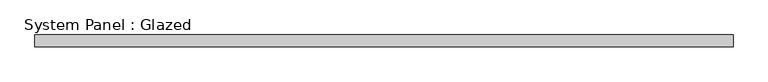
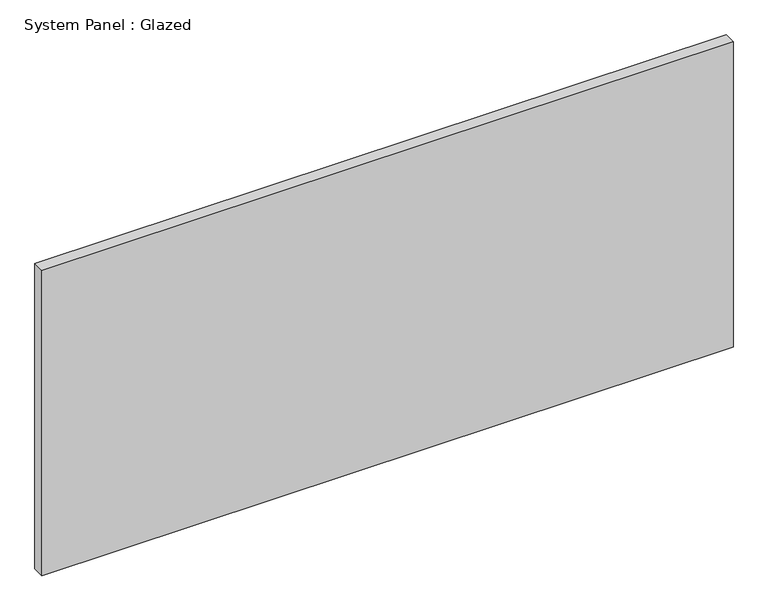
"""IFC4 building model written with IfcOpenShell, lengths in millimetres: plate geometry, System Panel : Glazed."""

from ifc_helpers import new_model, si_unit, origin, origin_with_axes, place, context, project, spatial, polyline, outline, extrude, source, transform, mapped, element, save


def system_panel_glazed_4cd48eda(model_context):
    return source(origin(), model_context, "Body", "SweptSolid", [
        extrude(outline(polyline([(722.5000001, 24.5), (-722.5000001, 24.5), (-722.5000001, 49.5), (722.5000001, 49.5), (722.5000001, 24.5)])), origin_with_axes(), (0.0, 0.0, 1.0), 675.0),
    ])


if __name__ == "__main__":
    model = new_model("IFC4")
    model_context = context("Model", 3, world=origin())
    ifc_project = project(units=[si_unit("LENGTHUNIT", "METRE", prefix="MILLI")], contexts=[model_context])
    site = spatial("IfcSite", under=ifc_project)
    building = spatial("IfcBuilding", under=site)
    placement = place(None, origin())
    system_panel_glazed_shape = system_panel_glazed_4cd48eda(model_context)
    element("IfcPlate", 1, ObjectType="System Panel : Glazed", at=placement, inside=building, context=model_context, shape_type="MappedRepresentation", body=[
        mapped(system_panel_glazed_shape, transform((0.0, 0.0, 0.0), x_axis=(1.0, 0.0, 0.0), y_axis=(0.0, 1.0, 0.0), z_axis=(0.0, 0.0, 1.0))),
    ])
    save(model, "model.ifc")
